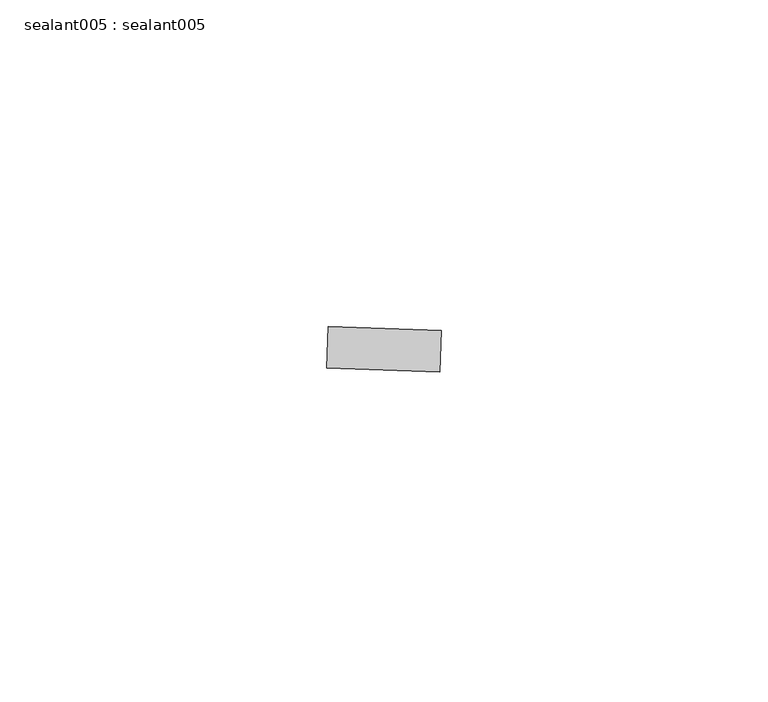
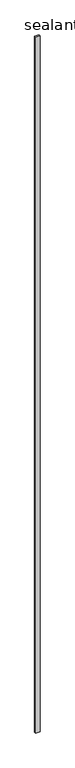
"""IFC4 building model written with IfcOpenShell, lengths in millimetres: proxy geometry, sealant005 : sealant005."""

from ifc_helpers import new_model, si_unit, frame, origin, place, context, project, spatial, polyline, outline, extrude, source, transform, mapped, element, save


def sealant005_sealant005_458f40ed(model_context):
    return source(origin(), model_context, "Body", "SweptSolid", [
        extrude(outline(polyline([(18243.2410275, -14885.3970278), (18260.5647519, -14886.005854), (18260.3420794, -14892.3418458), (18243.0183549, -14891.7330196), (18243.2410275, -14885.3970278)])), frame((0.0, 0.0, 73.975708), z_axis=(0.0, 0.0, 1.0), x_axis=(1.0, 0.0, 0.0)), (0.0, 0.0, 1.0), 2959.11),
    ])


if __name__ == "__main__":
    model = new_model("IFC4")
    model_context = context("Model", 3, world=origin())
    ifc_project = project(units=[si_unit("LENGTHUNIT", "METRE", prefix="MILLI")], contexts=[model_context])
    site = spatial("IfcSite", under=ifc_project)
    building = spatial("IfcBuilding", under=site)
    placement = place(None, origin())
    sealant005_sealant005_shape = sealant005_sealant005_458f40ed(model_context)
    element("IfcBuildingElementProxy", 1, Name="sealant005 : sealant005", ObjectType="sealant005 : sealant005", at=placement, inside=building, context=model_context, shape_type="MappedRepresentation", body=[
        mapped(sealant005_sealant005_shape, transform((0.0, 0.0, 0.0), x_axis=(1.0, 0.0, 0.0), y_axis=(0.0, 1.0, 0.0), z_axis=(0.0, 0.0, 1.0))),
    ])
    save(model, "model.ifc")
